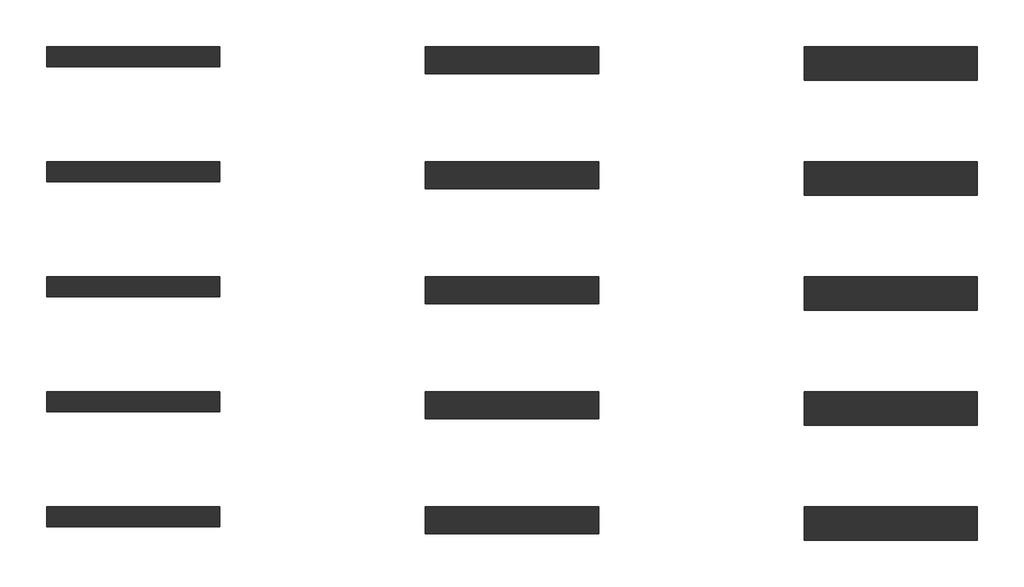
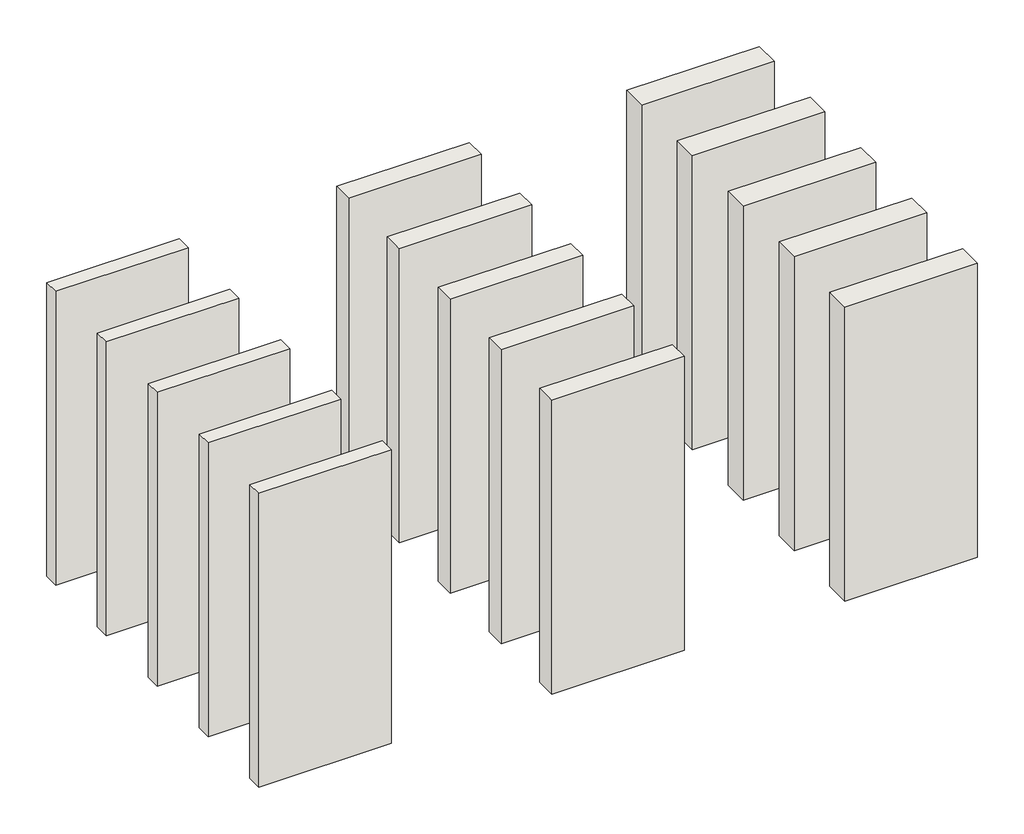
# One storey: 15 walls.
"""IFC4 building model written with IfcOpenShell, lengths in millimetres."""

from ifc_helpers import new_model, si_unit, origin, origin_with_axes, place, context, project, spatial, polyline, outline, extrude, element, save

model = new_model("IFC4")

# Units and contexts
model_context = context("Model", 3, world=origin())
ifc_project = project(units=[si_unit("LENGTHUNIT", "METRE", prefix="MILLI")], contexts=[model_context])

# Site, building, storey
site = spatial("IfcSite", under=ifc_project)
building = spatial("IfcBuilding", under=site)
storey = spatial("IfcBuildingStorey", under=building, Elevation=0.0)

# Walls
placement = place(None, origin())
element("IfcWall", 1, at=placement, inside=storey, context=model_context, shape_type="SweptSolid", body=[
    extrude(outline(polyline([(-9780.2640717, 13331.7035262), (-11060.2640717, 13331.7035262), (-11060.2640717, 13481.7035262), (-9780.2640717, 13481.7035262), (-9780.2640717, 13331.7035262)])), origin_with_axes(), (0.0, 0.0, 1.0), 3000.0),
])
element("IfcWall", 2, at=placement, inside=storey, context=model_context, shape_type="SweptSolid", body=[
    extrude(outline(polyline([(-9780.2640717, 12481.7035262), (-11060.2640717, 12481.7035262), (-11060.2640717, 12631.7035262), (-9780.2640717, 12631.7035262), (-9780.2640717, 12481.7035262)])), origin_with_axes(), (0.0, 0.0, 1.0), 3000.0),
])
element("IfcWall", 3, at=placement, inside=storey, context=model_context, shape_type="SweptSolid", body=[
    extrude(outline(polyline([(-9780.2640717, 10781.7035262), (-11060.2640717, 10781.7035262), (-11060.2640717, 10931.7035262), (-9780.2640717, 10931.7035262), (-9780.2640717, 10781.7035262)])), origin_with_axes(), (0.0, 0.0, 1.0), 3000.0),
])
element("IfcWall", 4, at=placement, inside=storey, context=model_context, shape_type="SweptSolid", body=[
    extrude(outline(polyline([(-6980.3063361, 13281.7035262), (-8260.3063361, 13281.7035262), (-8260.3063361, 13481.7035262), (-6980.3063361, 13481.7035262), (-6980.3063361, 13281.7035262)])), origin_with_axes(), (0.0, 0.0, 1.0), 3000.0),
])
element("IfcWall", 5, at=placement, inside=storey, context=model_context, shape_type="SweptSolid", body=[
    extrude(outline(polyline([(-6980.3063361, 12431.7035262), (-8260.3063361, 12431.7035262), (-8260.3063361, 12631.7035262), (-6980.3063361, 12631.7035262), (-6980.3063361, 12431.7035262)])), origin_with_axes(), (0.0, 0.0, 1.0), 3000.0),
])
element("IfcWall", 6, at=placement, inside=storey, context=model_context, shape_type="SweptSolid", body=[
    extrude(outline(polyline([(-6980.3063361, 10731.7035262), (-8260.3063361, 10731.7035262), (-8260.3063361, 10931.7035262), (-6980.3063361, 10931.7035262), (-6980.3063361, 10731.7035262)])), origin_with_axes(), (0.0, 0.0, 1.0), 3000.0),
])
element("IfcWall", 7, at=placement, inside=storey, context=model_context, shape_type="SweptSolid", body=[
    extrude(outline(polyline([(-4180.3992592, 13231.7035262), (-5460.3992592, 13231.7035262), (-5460.3992592, 13481.7035262), (-4180.3992592, 13481.7035262), (-4180.3992592, 13231.7035262)])), origin_with_axes(), (0.0, 0.0, 1.0), 3000.0),
])
element("IfcWall", 8, at=placement, inside=storey, context=model_context, shape_type="SweptSolid", body=[
    extrude(outline(polyline([(-4180.3992592, 12381.7035262), (-5460.3992592, 12381.7035262), (-5460.3992592, 12631.7035262), (-4180.3992592, 12631.7035262), (-4180.3992592, 12381.7035262)])), origin_with_axes(), (0.0, 0.0, 1.0), 3000.0),
])
element("IfcWall", 9, at=placement, inside=storey, context=model_context, shape_type="SweptSolid", body=[
    extrude(outline(polyline([(-4180.3992592, 10681.7035262), (-5460.3992592, 10681.7035262), (-5460.3992592, 10931.7035262), (-4180.3992592, 10931.7035262), (-4180.3992592, 10681.7035262)])), origin_with_axes(), (0.0, 0.0, 1.0), 3000.0),
])
element("IfcWall", 10, at=placement, inside=storey, context=model_context, shape_type="SweptSolid", body=[
    extrude(outline(polyline([(-9780.2640717, 14181.7035262), (-11060.2640717, 14181.7035262), (-11060.2640717, 14331.7035262), (-9780.2640717, 14331.7035262), (-9780.2640717, 14181.7035262)])), origin_with_axes(), (0.0, 0.0, 1.0), 3000.0),
])
element("IfcWall", 11, at=placement, inside=storey, context=model_context, shape_type="SweptSolid", body=[
    extrude(outline(polyline([(-6980.3063361, 14131.7035262), (-8260.3063361, 14131.7035262), (-8260.3063361, 14331.7035262), (-6980.3063361, 14331.7035262), (-6980.3063361, 14131.7035262)])), origin_with_axes(), (0.0, 0.0, 1.0), 3000.0),
])
element("IfcWall", 12, at=placement, inside=storey, context=model_context, shape_type="SweptSolid", body=[
    extrude(outline(polyline([(-4180.3992592, 14081.7035262), (-5460.3992592, 14081.7035262), (-5460.3992592, 14331.7035262), (-4180.3992592, 14331.7035262), (-4180.3992592, 14081.7035262)])), origin_with_axes(), (0.0, 0.0, 1.0), 3000.0),
])
element("IfcWall", 13, at=placement, inside=storey, context=model_context, shape_type="SweptSolid", body=[
    extrude(outline(polyline([(-9780.2640717, 11631.7035262), (-11060.2640717, 11631.7035262), (-11060.2640717, 11781.7035262), (-9780.2640717, 11781.7035262), (-9780.2640717, 11631.7035262)])), origin_with_axes(), (0.0, 0.0, 1.0), 3000.0),
])
element("IfcWall", 14, at=placement, inside=storey, context=model_context, shape_type="SweptSolid", body=[
    extrude(outline(polyline([(-6980.3063361, 11581.7035262), (-8260.3063361, 11581.7035262), (-8260.3063361, 11781.7035262), (-6980.3063361, 11781.7035262), (-6980.3063361, 11581.7035262)])), origin_with_axes(), (0.0, 0.0, 1.0), 3000.0),
])
element("IfcWall", 15, at=placement, inside=storey, context=model_context, shape_type="SweptSolid", body=[
    extrude(outline(polyline([(-4180.3992592, 11531.7035262), (-5460.3992592, 11531.7035262), (-5460.3992592, 11781.7035262), (-4180.3992592, 11781.7035262), (-4180.3992592, 11531.7035262)])), origin_with_axes(), (0.0, 0.0, 1.0), 3000.0),
])

save(model, "model.ifc")
